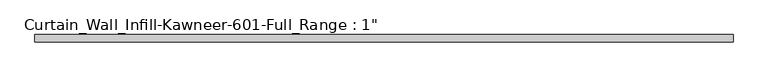
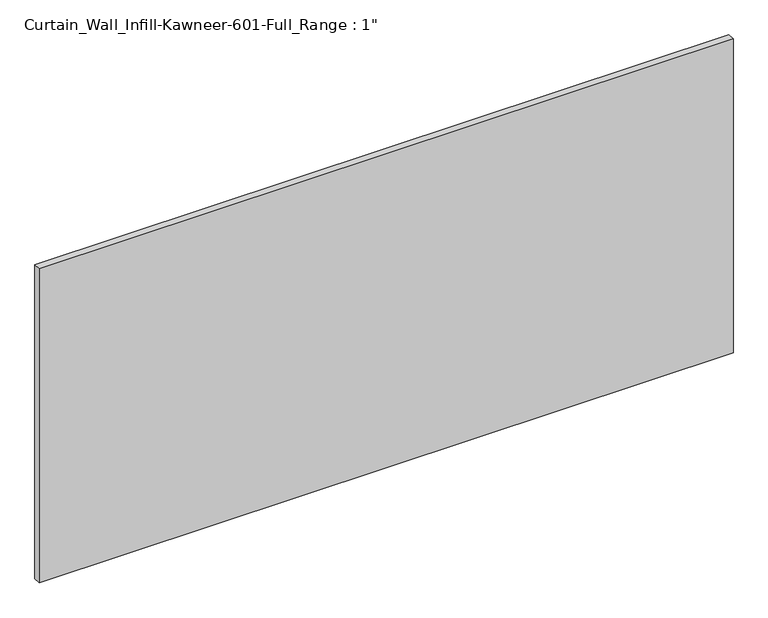
"""IFC4 building model written with IfcOpenShell, lengths in millimetres: plate geometry."""

from ifc_helpers import new_model, si_unit, origin, origin_with_axes, place, context, project, spatial, polyline, outline, extrude, source, transform, mapped, element, save


def plate_39d0c4f5(model_context):
    return source(origin(), model_context, "Body", "SweptSolid", [
        extrude(outline(polyline([(-1241.425, 12.7), (1241.425, 12.7), (1241.425, -12.7), (-1241.425, -12.7), (-1241.425, 12.7)])), origin_with_axes(), (0.0, 0.0, 1.0), 1187.45),
    ])


if __name__ == "__main__":
    model = new_model("IFC4")
    model_context = context("Model", 3, world=origin())
    ifc_project = project(units=[si_unit("LENGTHUNIT", "METRE", prefix="MILLI")], contexts=[model_context])
    site = spatial("IfcSite", under=ifc_project)
    building = spatial("IfcBuilding", under=site)
    placement = place(None, origin())
    plate_shape = plate_39d0c4f5(model_context)
    element("IfcPlate", 1, ObjectType="Curtain_Wall_Infill-Kawneer-601-Full_Range : 1\"", at=placement, inside=building, context=model_context, shape_type="MappedRepresentation", body=[
        mapped(plate_shape, transform((0.0, 0.0, 0.0), x_axis=(1.0, 0.0, 0.0), y_axis=(0.0, 1.0, 0.0), z_axis=(0.0, 0.0, 1.0))),
    ])
    save(model, "model.ifc")
